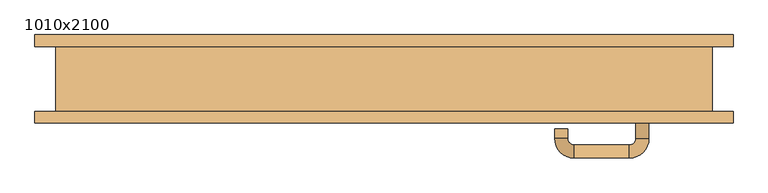
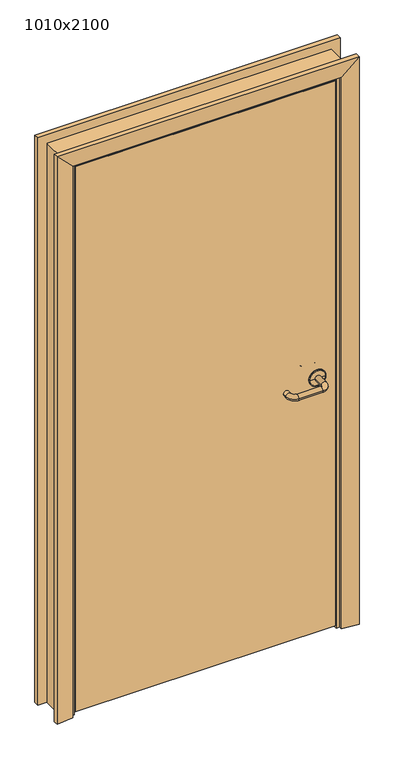
"""IFC4 building model written with IfcOpenShell, lengths in millimetres: door geometry, 1010x2100."""

from ifc_helpers import new_model, si_unit, point, frame, origin, place, context, project, spatial, polyline, circle_curve, ellipse_curve, trimmed, outline, extrude, faceted_brep, source, transform, mapped, element, save
from ifc_brep_helpers import plane_surface, cylinder_surface, revolved_surface, advanced_brep


def door_1010x2100_444881f4(model_context):
    return source(origin(), model_context, "Body", "SolidModel", [
        advanced_brep(
        [(407.5389275, -50.0, 965.0), (387.5389275, -50.0, 965.0), (407.5389275, -91.7730895, 965.0), (387.5389275, -91.7730895, 965.0), (377.5389275, -121.7730895, 965.0), (377.5389275, -101.7730895, 965.0), (292.5389265, -121.7730895, 965.0), (292.5389265, -101.7730895, 965.0), (262.5389265, -91.7730895, 965.0), (282.5389265, -91.7730895, 965.0), (262.5389265, -76.7730887, 965.0), (282.5389265, -76.7730887, 965.0)],
        [
            (0, 1, circle_curve(frame((397.5389275, -50.0, 965.0), z_axis=(0.0, 1.0, 0.0), x_axis=(-1.0, 0.0, 0.0)), 10.0)),
            (1, 0, circle_curve(frame((397.5389275, -50.0, 965.0), z_axis=(0.0, 1.0, 0.0), x_axis=(-1.0, 0.0, 0.0)), 10.0)),
            (0, 2),
            (2, 3, circle_curve(frame((397.5389275, -91.7730895, 965.0), z_axis=(0.0, 1.0, 0.0), x_axis=(-1.0, 0.0, 0.0)), 10.0)),
            (3, 1),
            (3, 2, circle_curve(frame((397.5389275, -91.7730895, 965.0), z_axis=(0.0, 1.0, 0.0), x_axis=(-1.0, 0.0, 0.0)), 10.0)),
            (4, 5, circle_curve(frame((377.5389275, -111.7730895, 965.0), z_axis=(1.0, 0.0, 0.0), x_axis=(0.0, 1.0, 0.0)), 10.0)),
            (5, 3, circle_curve(frame((377.5389275, -91.7730895, 965.0), z_axis=(0.0, 0.0, 1.0), x_axis=(1.0, 0.0, 0.0)), 10.0)),
            (2, 4, circle_curve(frame((377.5389275, -91.7730895, 965.0), z_axis=(0.0, 0.0, -1.0), x_axis=(1.0, 0.0, 0.0)), 30.0)),
            (5, 4, circle_curve(frame((377.5389275, -111.7730895, 965.0), z_axis=(1.0, 0.0, 0.0), x_axis=(0.0, 1.0, 0.0)), 10.0)),
            (4, 6),
            (6, 7, circle_curve(frame((292.5389265, -111.7730895, 965.0), z_axis=(1.0, 0.0, 0.0), x_axis=(0.0, 1.0, 0.0)), 10.0)),
            (7, 5),
            (7, 6, circle_curve(frame((292.5389265, -111.7730895, 965.0), z_axis=(1.0, 0.0, 0.0), x_axis=(0.0, 1.0, 0.0)), 10.0)),
            (8, 9, circle_curve(frame((272.5389265, -91.7730895, 965.0), z_axis=(0.0, -1.0, 0.0), x_axis=(1.0, 0.0, 0.0)), 10.0)),
            (9, 7, circle_curve(frame((292.5389265, -91.7730895, 965.0), z_axis=(0.0, 0.0, 1.0), x_axis=(0.0, -1.0, 0.0)), 10.0)),
            (6, 8, circle_curve(frame((292.5389265, -91.7730895, 965.0), z_axis=(0.0, 0.0, -1.0), x_axis=(0.0, -1.0, 0.0)), 30.0)),
            (9, 8, circle_curve(frame((272.5389265, -91.7730895, 965.0), z_axis=(0.0, -1.0, 0.0), x_axis=(1.0, 0.0, 0.0)), 10.0)),
            (10, 11, circle_curve(frame((272.5389265, -76.7730887, 965.0), z_axis=(0.0, 1.0, 0.0), x_axis=(1.0, 0.0, 0.0)), 10.0)),
            (11, 10, circle_curve(frame((272.5389265, -76.7730887, 965.0), z_axis=(0.0, 1.0, 0.0), x_axis=(1.0, 0.0, 0.0)), 10.0)),
            (8, 10),
            (11, 9),
        ],
        [
            plane_surface(frame((397.5389275, -50.0, 965.0), z_axis=(0.0, 1.0, 0.0), x_axis=(0.0, 0.0, 1.0))),
            cylinder_surface(frame((397.5389275, -50.0, 965.0), z_axis=(0.0, 1.0, 0.0), x_axis=(-1.0, 0.0, 0.0)), 10.0),
            revolved_surface(trimmed(ellipse_curve(frame((397.5389275, -91.7730895, 965.0), z_axis=(0.0, -1.0, 0.0), x_axis=(-1.0, 0.0, 0.0)), 10.0, 10.0), [point((387.5389275, -91.7730895, 965.0))], [point((407.5389275, -91.7730895, 965.0))], True, "CARTESIAN"), (377.5389275, -91.7730895, 965.0), (0.0, 0.0, 1.0)),
            revolved_surface(trimmed(ellipse_curve(frame((397.5389275, -91.7730895, 965.0), z_axis=(0.0, -1.0, 0.0), x_axis=(-1.0, 0.0, 0.0)), 10.0, 10.0), [point((407.5389275, -91.7730895, 965.0))], [point((387.5389275, -91.7730895, 965.0))], True, "CARTESIAN"), (377.5389275, -91.7730895, 965.0), (0.0, 0.0, 1.0)),
            cylinder_surface(frame((377.5389275, -111.7730895, 965.0), z_axis=(1.0, 0.0, 0.0), x_axis=(0.0, 1.0, 0.0)), 10.0),
            revolved_surface(trimmed(ellipse_curve(frame((292.5389265, -111.7730895, 965.0), z_axis=(-1.0, 0.0, 0.0), x_axis=(0.0, 1.0, 0.0)), 10.0, 10.0), [point((292.5389265, -101.7730895, 965.0))], [point((292.5389265, -121.7730895, 965.0))], True, "CARTESIAN"), (292.5389265, -91.7730895, 965.0), (0.0, 0.0, 1.0)),
            revolved_surface(trimmed(ellipse_curve(frame((292.5389265, -111.7730895, 965.0), z_axis=(-1.0, 0.0, 0.0), x_axis=(0.0, 1.0, 0.0)), 10.0, 10.0), [point((292.5389265, -121.7730895, 965.0))], [point((292.5389265, -101.7730895, 965.0))], True, "CARTESIAN"), (292.5389265, -91.7730895, 965.0), (0.0, 0.0, 1.0)),
            plane_surface(frame((272.5389265, -76.7730887, 965.0), z_axis=(0.0, 1.0, 0.0), x_axis=(0.0, 0.0, 1.0))),
            cylinder_surface(frame((272.5389265, -91.7730895, 965.0), z_axis=(0.0, -1.0, 0.0), x_axis=(1.0, 0.0, 0.0)), 10.0),
        ],
        [
            (0, [[1, 2]]),
            (1, [[3, 4, 5, -1]]),
            (1, [[-5, 6, -3, -2]]),
            (2, [[7, 8, -4, 9]]),
            (3, [[10, -9, -6, -8]]),
            (4, [[11, 12, 13, -7]]),
            (4, [[-13, 14, -11, -10]]),
            (5, [[15, 16, -12, 17]]),
            (6, [[18, -17, -14, -16]]),
            (7, [[19, 20]]),
            (8, [[21, -20, 22, -15]]),
            (8, [[-22, -19, -21, -18]]),
        ],
    ),
        advanced_brep(
        [(397.5389275, -50.0, 965.0), (427.5389268, -50.0, 965.0), (367.5389281, -50.0, 965.0), (427.5389268, -50.819943, 965.0), (367.5389281, -50.819943, 965.0), (424.5857807, -53.7730891, 965.0), (397.5389275, -53.7730891, 965.0), (370.4920742, -53.7730891, 965.0)],
        [
            (0, 1),
            (1, 2, circle_curve(frame((397.5389275, -50.0, 965.0), z_axis=(0.0, 1.0, 0.0), x_axis=(-1.0, 0.0, 0.0)), 29.9999993)),
            (2, 0),
            (2, 1, circle_curve(frame((397.5389275, -50.0, 965.0), z_axis=(0.0, 1.0, 0.0), x_axis=(-1.0, 0.0, 0.0)), 29.9999993)),
            (1, 3),
            (3, 4, circle_curve(frame((397.5389275, -50.819943, 965.0), z_axis=(0.0, 1.0, 0.0), x_axis=(-1.0, 0.0, 0.0)), 29.9999993)),
            (4, 2),
            (4, 3, circle_curve(frame((397.5389275, -50.819943, 965.0), z_axis=(0.0, 1.0, 0.0), x_axis=(-1.0, 0.0, 0.0)), 29.9999993)),
            (5, 6),
            (6, 7),
            (7, 5, circle_curve(frame((397.5389275, -53.7730891, 965.0), z_axis=(0.0, -1.0, 0.0), x_axis=(-1.0, 0.0, 0.0)), 27.0468532)),
            (5, 7, circle_curve(frame((397.5389275, -53.7730891, 965.0), z_axis=(0.0, -1.0, 0.0), x_axis=(-1.0, 0.0, 0.0)), 27.0468532)),
            (3, 5, circle_curve(frame((424.5857807, -50.819943, 965.0), z_axis=(0.0, 0.0, -1.0), x_axis=(-1.0, 0.0, 0.0)), 2.9531461)),
            (7, 4, circle_curve(frame((370.4920742, -50.819943, 965.0), z_axis=(0.0, 0.0, -1.0), x_axis=(1.0, 0.0, 0.0)), 2.9531461)),
        ],
        [
            plane_surface(frame((397.5389275, -50.0, 965.0), z_axis=(0.0, 1.0, 0.0), x_axis=(-1.0, 0.0, 0.0))),
            cylinder_surface(frame((397.5389275, -50.0, 965.0), z_axis=(0.0, 1.0, 0.0), x_axis=(-1.0, 0.0, 0.0)), 29.9999993),
            plane_surface(frame((397.5389275, -53.7730891, 965.0), z_axis=(0.0, -1.0, 0.0), x_axis=(-1.0, 0.0, 0.0))),
            revolved_surface(trimmed(ellipse_curve(frame((370.4920742, -50.819943, 965.0), z_axis=(0.0, 0.0, -1.0), x_axis=(1.0, 0.0, 0.0)), 2.9531461, 2.9531461), [point((370.4920742, -53.7730891, 965.0))], [point((367.5389281, -50.819943, 965.0))], True, "CARTESIAN"), (397.5389275, -50.0, 965.0), (0.0, 1.0, 0.0)),
        ],
        [
            (0, [[1, 2, 3]]),
            (0, [[-3, 4, -1]]),
            (1, [[5, 6, 7, -2]]),
            (1, [[-7, 8, -5, -4]]),
            (2, [[9, 10, 11]]),
            (2, [[-10, -9, 12]]),
            (3, [[13, -11, 14, -6]]),
            (3, [[-14, -12, -13, -8]]),
        ],
    ),
        advanced_brep(
        [(407.5389275, -10.0, 965.0), (387.5389275, -10.0, 965.0), (387.5389275, 31.7730894, 965.0), (407.5389275, 31.7730894, 965.0), (377.5389275, 41.7730894, 965.0), (377.5389275, 61.7730894, 965.0), (292.5389265, 41.7730894, 965.0), (292.5389265, 61.7730894, 965.0), (282.5389265, 31.7730894, 965.0), (262.5389265, 31.7730894, 965.0), (262.5389265, 16.7730887, 965.0), (282.5389265, 16.7730887, 965.0)],
        [
            (0, 1, circle_curve(frame((397.5389275, -10.0, 965.0), z_axis=(0.0, -1.0, 0.0), x_axis=(-1.0, 0.0, 0.0)), 10.0)),
            (1, 0, circle_curve(frame((397.5389275, -10.0, 965.0), z_axis=(0.0, -1.0, 0.0), x_axis=(-1.0, 0.0, 0.0)), 10.0)),
            (1, 2),
            (2, 3, circle_curve(frame((397.5389275, 31.7730894, 965.0), z_axis=(0.0, -1.0, 0.0), x_axis=(-1.0, 0.0, 0.0)), 10.0)),
            (3, 0),
            (3, 2, circle_curve(frame((397.5389275, 31.7730894, 965.0), z_axis=(0.0, -1.0, 0.0), x_axis=(-1.0, 0.0, 0.0)), 10.0)),
            (4, 5, circle_curve(frame((377.5389275, 51.7730894, 965.0), z_axis=(1.0, 0.0, 0.0), x_axis=(0.0, -1.0, 0.0)), 10.0)),
            (5, 3, circle_curve(frame((377.5389275, 31.7730894, 965.0), z_axis=(0.0, 0.0, -1.0), x_axis=(1.0, 0.0, 0.0)), 30.0)),
            (2, 4, circle_curve(frame((377.5389275, 31.7730894, 965.0), z_axis=(0.0, 0.0, 1.0), x_axis=(1.0, 0.0, 0.0)), 10.0)),
            (5, 4, circle_curve(frame((377.5389275, 51.7730894, 965.0), z_axis=(1.0, 0.0, 0.0), x_axis=(0.0, -1.0, 0.0)), 10.0)),
            (4, 6),
            (6, 7, circle_curve(frame((292.5389265, 51.7730894, 965.0), z_axis=(1.0, 0.0, 0.0), x_axis=(0.0, -1.0, 0.0)), 10.0)),
            (7, 5),
            (7, 6, circle_curve(frame((292.5389265, 51.7730894, 965.0), z_axis=(1.0, 0.0, 0.0), x_axis=(0.0, -1.0, 0.0)), 10.0)),
            (8, 9, circle_curve(frame((272.5389265, 31.7730894, 965.0), z_axis=(0.0, 1.0, 0.0), x_axis=(1.0, 0.0, 0.0)), 10.0)),
            (9, 7, circle_curve(frame((292.5389265, 31.7730894, 965.0), z_axis=(0.0, 0.0, -1.0), x_axis=(0.0, 1.0, 0.0)), 30.0)),
            (6, 8, circle_curve(frame((292.5389265, 31.7730894, 965.0), z_axis=(0.0, 0.0, 1.0), x_axis=(0.0, 1.0, 0.0)), 10.0)),
            (9, 8, circle_curve(frame((272.5389265, 31.7730894, 965.0), z_axis=(0.0, 1.0, 0.0), x_axis=(1.0, 0.0, 0.0)), 10.0)),
            (10, 11, circle_curve(frame((272.5389265, 16.7730887, 965.0), z_axis=(0.0, -1.0, 0.0), x_axis=(1.0, 0.0, 0.0)), 10.0)),
            (11, 10, circle_curve(frame((272.5389265, 16.7730887, 965.0), z_axis=(0.0, -1.0, 0.0), x_axis=(1.0, 0.0, 0.0)), 10.0)),
            (8, 11),
            (10, 9),
        ],
        [
            plane_surface(frame((397.5389275, -10.0, 965.0), z_axis=(0.0, -1.0, 0.0), x_axis=(0.0, 0.0, 1.0))),
            cylinder_surface(frame((397.5389275, -10.0, 965.0), z_axis=(0.0, -1.0, 0.0), x_axis=(-1.0, 0.0, 0.0)), 10.0),
            revolved_surface(trimmed(ellipse_curve(frame((397.5389275, 31.7730894, 965.0), z_axis=(0.0, 1.0, 0.0), x_axis=(-1.0, 0.0, 0.0)), 10.0, 10.0), [point((407.5389275, 31.7730894, 965.0))], [point((387.5389275, 31.7730894, 965.0))], True, "CARTESIAN"), (377.5389275, 31.7730894, 965.0), (0.0, 0.0, -1.0)),
            revolved_surface(trimmed(ellipse_curve(frame((397.5389275, 31.7730894, 965.0), z_axis=(0.0, 1.0, 0.0), x_axis=(-1.0, 0.0, 0.0)), 10.0, 10.0), [point((387.5389275, 31.7730894, 965.0))], [point((407.5389275, 31.7730894, 965.0))], True, "CARTESIAN"), (377.5389275, 31.7730894, 965.0), (0.0, 0.0, -1.0)),
            cylinder_surface(frame((377.5389275, 51.7730894, 965.0), z_axis=(1.0, 0.0, 0.0), x_axis=(0.0, -1.0, 0.0)), 10.0),
            revolved_surface(trimmed(ellipse_curve(frame((292.5389265, 51.7730894, 965.0), z_axis=(-1.0, 0.0, 0.0), x_axis=(0.0, -1.0, 0.0)), 10.0, 10.0), [point((292.5389265, 61.7730894, 965.0))], [point((292.5389265, 41.7730894, 965.0))], True, "CARTESIAN"), (292.5389265, 31.7730894, 965.0), (0.0, 0.0, -1.0)),
            revolved_surface(trimmed(ellipse_curve(frame((292.5389265, 51.7730894, 965.0), z_axis=(-1.0, 0.0, 0.0), x_axis=(0.0, -1.0, 0.0)), 10.0, 10.0), [point((292.5389265, 41.7730894, 965.0))], [point((292.5389265, 61.7730894, 965.0))], True, "CARTESIAN"), (292.5389265, 31.7730894, 965.0), (0.0, 0.0, -1.0)),
            plane_surface(frame((272.5389265, 16.7730887, 965.0), z_axis=(0.0, -1.0, 0.0), x_axis=(0.0, 0.0, 1.0))),
            cylinder_surface(frame((272.5389265, 31.7730894, 965.0), z_axis=(0.0, 1.0, 0.0), x_axis=(1.0, 0.0, 0.0)), 10.0),
        ],
        [
            (0, [[1, 2]]),
            (1, [[3, 4, 5, -2]]),
            (1, [[-5, 6, -3, -1]]),
            (2, [[7, 8, -4, 9]]),
            (3, [[10, -9, -6, -8]]),
            (4, [[11, 12, 13, -7]]),
            (4, [[-13, 14, -11, -10]]),
            (5, [[15, 16, -12, 17]]),
            (6, [[18, -17, -14, -16]]),
            (7, [[19, 20]]),
            (8, [[21, -19, 22, -15]]),
            (8, [[-22, -20, -21, -18]]),
        ],
    ),
        advanced_brep(
        [(427.5389268, -10.0, 965.0), (397.5389275, -10.0, 965.0), (367.5389281, -10.0, 965.0), (427.5389268, -9.180057, 965.0), (367.5389281, -9.180057, 965.0), (397.5389275, -6.2269109, 965.0), (424.5857807, -6.2269109, 965.0), (370.4920742, -6.2269109, 965.0)],
        [
            (0, 1),
            (1, 2),
            (2, 0, circle_curve(frame((397.5389275, -10.0, 965.0), z_axis=(0.0, -1.0, 0.0), x_axis=(-1.0, 0.0, 0.0)), 29.9999993)),
            (0, 2, circle_curve(frame((397.5389275, -10.0, 965.0), z_axis=(0.0, -1.0, 0.0), x_axis=(-1.0, 0.0, 0.0)), 29.9999993)),
            (3, 0),
            (2, 4),
            (4, 3, circle_curve(frame((397.5389275, -9.180057, 965.0), z_axis=(0.0, -1.0, 0.0), x_axis=(-1.0, 0.0, 0.0)), 29.9999993)),
            (3, 4, circle_curve(frame((397.5389275, -9.180057, 965.0), z_axis=(0.0, -1.0, 0.0), x_axis=(-1.0, 0.0, 0.0)), 29.9999993)),
            (5, 6),
            (6, 7, circle_curve(frame((397.5389275, -6.2269109, 965.0), z_axis=(0.0, 1.0, 0.0), x_axis=(-1.0, 0.0, 0.0)), 27.0468532)),
            (7, 5),
            (7, 6, circle_curve(frame((397.5389275, -6.2269109, 965.0), z_axis=(0.0, 1.0, 0.0), x_axis=(-1.0, 0.0, 0.0)), 27.0468532)),
            (6, 3, circle_curve(frame((424.5857807, -9.180057, 965.0), z_axis=(0.0, 0.0, -1.0), x_axis=(-1.0, 0.0, 0.0)), 2.9531461)),
            (4, 7, circle_curve(frame((370.4920742, -9.180057, 965.0), z_axis=(0.0, 0.0, -1.0), x_axis=(1.0, 0.0, 0.0)), 2.9531461)),
        ],
        [
            plane_surface(frame((397.5389275, -10.0, 965.0), z_axis=(0.0, -1.0, 0.0), x_axis=(-1.0, 0.0, 0.0))),
            cylinder_surface(frame((397.5389275, -10.0, 965.0), z_axis=(0.0, 1.0, 0.0), x_axis=(-1.0, 0.0, 0.0)), 29.9999993),
            plane_surface(frame((397.5389275, -6.2269109, 965.0), z_axis=(0.0, 1.0, 0.0), x_axis=(-1.0, 0.0, 0.0))),
            revolved_surface(trimmed(ellipse_curve(frame((370.4920742, -9.180057, 965.0), z_axis=(0.0, 0.0, -1.0), x_axis=(1.0, 0.0, 0.0)), 2.9531461, 2.9531461), [point((367.5389281, -9.180057, 965.0))], [point((370.4920742, -6.2269109, 965.0))], True, "CARTESIAN"), (397.5389275, -10.0, 965.0), (0.0, 1.0, 0.0)),
        ],
        [
            (0, [[1, 2, 3]]),
            (0, [[-2, -1, 4]]),
            (1, [[5, -3, 6, 7]]),
            (1, [[-6, -4, -5, 8]]),
            (2, [[9, 10, 11]]),
            (2, [[-11, 12, -9]]),
            (3, [[13, -7, 14, -10]]),
            (3, [[-14, -8, -13, -12]]),
        ],
    ),
        extrude(outline(polyline([(462.5389275, -50.0), (-462.538929, -50.0), (-462.538929, -10.0), (462.5389275, -10.0), (462.5389275, -50.0)])), frame((0.0, 0.0, 10.0), z_axis=(0.0, 0.0, 1.0), x_axis=(1.0, 0.0, 0.0)), (0.0, 0.0, 1.0), 2047.0),
        advanced_brep(
        [(505.0, 50.0, 0.0), (505.0, -50.0, 0.0), (465.0389382, -50.0, 0.0), (465.0389382, -7.9643213, 0.0), (452.938932, -7.9643213, 0.0), (452.938932, 29.9348682, 0.0), (459.0397424, 36.0356785, 0.0), (465.0389382, 36.0356785, 0.0), (465.0389382, 50.0, 0.0), (465.0389382, 50.0, 2060.0389382), (-465.0389382, 50.0, 2060.0389382), (-465.0389382, 50.0, 0.0), (-505.0, 50.0, 0.0), (-505.0, 50.0, 2100.0), (505.0, 50.0, 2100.0), (465.0389382, 36.0356785, 2060.0389382), (459.0397424, 36.0356785, 2054.0397424), (-459.0397424, 36.0356785, 2054.0397424), (-459.0397424, 36.0356785, 0.0), (-465.0389382, 36.0356785, 0.0), (-465.0389382, 36.0356785, 2060.0389382), (452.938932, 29.9348682, 2047.938932), (452.938932, -7.9643213, 2047.938932), (465.0389382, -7.9643213, 2060.0389382), (-465.0389382, -7.9643213, 2060.0389382), (-465.0389382, -7.9643213, 0.0), (-452.938932, -7.9643213, 0.0), (-452.938932, -7.9643213, 2047.938932), (465.0389382, -50.0, 2060.0389382), (505.0, -50.0, 2100.0), (-452.938932, 29.9348682, 2047.938932), (-465.0389382, -50.0, 2060.0389382), (-505.0, -50.0, 2100.0), (-452.938932, 29.9348682, 0.0), (-465.0389382, -50.0, 0.0), (-505.0, -50.0, 0.0)],
        [
            (0, 1),
            (1, 2),
            (2, 3),
            (3, 4),
            (4, 5),
            (5, 6, circle_curve(frame((459.0397424, 29.9348682, 0.0), z_axis=(0.0, 0.0, -1.0), x_axis=(-1.0, 0.0, 0.0)), 6.1008103)),
            (6, 7),
            (7, 8),
            (8, 0),
            (8, 9),
            (9, 10),
            (10, 11),
            (11, 12),
            (12, 13),
            (13, 14),
            (14, 0),
            (7, 15),
            (15, 9),
            (6, 16),
            (16, 17),
            (17, 18),
            (18, 19),
            (19, 20),
            (20, 15),
            (5, 21),
            (21, 16, ellipse_curve(frame((459.0397424, 29.9348682, 2054.0397424), z_axis=(0.7071067811865475, 0.0, -0.7071067811865475), x_axis=(-0.7071067811865474, 0.0, -0.7071067811865476)), 8.6278487, 6.1008103)),
            (4, 22),
            (22, 21),
            (3, 23),
            (23, 24),
            (24, 25),
            (25, 26),
            (26, 27),
            (27, 22),
            (2, 28),
            (28, 23),
            (14, 29),
            (29, 1),
            (20, 10),
            (21, 30),
            (30, 17, ellipse_curve(frame((-459.0397424, 29.9348682, 2054.0397424), z_axis=(0.7071067811865475, 0.0, 0.7071067811865475), x_axis=(0.7071067811865476, 0.0, -0.7071067811865474)), 8.6278487, 6.1008103)),
            (27, 30),
            (28, 31),
            (31, 24),
            (13, 32),
            (32, 29),
            (11, 19),
            (18, 33, circle_curve(frame((-459.0397424, 29.9348682, 0.0), z_axis=(0.0, 0.0, -1.0), x_axis=(1.0, 0.0, 0.0)), 6.1008103)),
            (33, 26),
            (25, 34),
            (34, 35),
            (35, 12),
            (30, 33),
            (31, 34),
            (35, 32),
        ],
        [
            plane_surface(frame((505.0, -50.0, 0.0), z_axis=(0.0, 0.0, -1.0), x_axis=(0.0, 1.0, 0.0))),
            plane_surface(frame((505.0, 50.0, 0.0), z_axis=(0.0, 1.0, 0.0), x_axis=(0.0, 0.0, 1.0))),
            plane_surface(frame((465.0389382, 50.0, 0.0), z_axis=(-1.0, 0.0, 0.0), x_axis=(0.0, 0.0, 1.0))),
            plane_surface(frame((465.0389382, 36.0356785, 0.0), z_axis=(0.0, 1.0, 0.0), x_axis=(0.0, 0.0, 1.0))),
            cylinder_surface(frame((459.0397424, 29.9348682, 0.0), z_axis=(0.0, 0.0, -1.0), x_axis=(-1.0, 0.0, 0.0)), 6.1008103),
            plane_surface(frame((452.938932, 29.9348682, 0.0), z_axis=(-1.0, 0.0, 0.0), x_axis=(0.0, 0.0, 1.0))),
            plane_surface(frame((452.938932, -7.9643213, 0.0), z_axis=(0.0, -1.0, 0.0), x_axis=(0.0, 0.0, 1.0))),
            plane_surface(frame((465.0389382, -7.9643213, 0.0), z_axis=(-1.0, 0.0, 0.0), x_axis=(0.0, 0.0, 1.0))),
            plane_surface(frame((505.0, -50.0, 0.0), z_axis=(1.0, 0.0, 0.0), x_axis=(0.0, 0.0, 1.0))),
            plane_surface(frame((465.0389382, 50.0, 2060.0389382), z_axis=(0.0, 0.0, -1.0), x_axis=(-1.0, 0.0, 0.0))),
            cylinder_surface(frame((505.0, 29.9348682, 2054.0397424), z_axis=(1.0, 0.0, 0.0), x_axis=(0.0, 0.0, -1.0)), 6.1008103),
            plane_surface(frame((452.938932, 29.9348682, 2047.938932), z_axis=(0.0, 0.0, -1.0), x_axis=(-1.0, 0.0, 0.0))),
            plane_surface(frame((465.0389382, -7.9643213, 2060.0389382), z_axis=(0.0, 0.0, -1.0), x_axis=(-1.0, 0.0, 0.0))),
            plane_surface(frame((505.0, -50.0, 2100.0), z_axis=(0.0, 0.0, 1.0), x_axis=(-1.0, 0.0, 0.0))),
            plane_surface(frame((-505.0, -50.0, 0.0), z_axis=(0.0, 0.0, -1.0), x_axis=(0.0, 1.0, 0.0))),
            plane_surface(frame((-465.0389382, 50.0, 2060.0389382), z_axis=(1.0, 0.0, 0.0), x_axis=(0.0, 0.0, -1.0))),
            cylinder_surface(frame((-459.0397424, 29.9348682, 2100.0), z_axis=(0.0, 0.0, 1.0), x_axis=(1.0, 0.0, 0.0)), 6.1008103),
            plane_surface(frame((-452.938932, 29.9348682, 2047.938932), z_axis=(1.0, 0.0, 0.0), x_axis=(0.0, 0.0, -1.0))),
            plane_surface(frame((-465.0389382, -7.9643213, 2060.0389382), z_axis=(1.0, 0.0, 0.0), x_axis=(0.0, 0.0, -1.0))),
            plane_surface(frame((-505.0, -50.0, 2100.0), z_axis=(-1.0, 0.0, 0.0), x_axis=(0.0, 0.0, -1.0))),
            plane_surface(frame((465.0389382, -50.0, 0.0), z_axis=(0.0, -1.0, 0.0), x_axis=(0.0, 0.0, 1.0))),
        ],
        [
            (0, [[1, 2, 3, 4, 5, 6, 7, 8, 9]]),
            (1, [[10, 11, 12, 13, 14, 15, 16, -9]]),
            (2, [[17, 18, -10, -8]]),
            (3, [[19, 20, 21, 22, 23, 24, -17, -7]]),
            (4, [[25, 26, -19, -6]]),
            (5, [[27, 28, -25, -5]]),
            (6, [[29, 30, 31, 32, 33, 34, -27, -4]]),
            (7, [[35, 36, -29, -3]]),
            (8, [[-16, 37, 38, -1]]),
            (9, [[-24, 39, -11, -18]]),
            (10, [[40, 41, -20, -26]]),
            (11, [[-34, 42, -40, -28]]),
            (12, [[43, 44, -30, -36]]),
            (13, [[-15, 45, 46, -37]]),
            (14, [[-13, 47, -22, 48, 49, -32, 50, 51, 52]]),
            (15, [[-23, -47, -12, -39]]),
            (16, [[53, -48, -21, -41]]),
            (17, [[-33, -49, -53, -42]]),
            (18, [[54, -50, -31, -44]]),
            (19, [[-14, -52, 55, -45]]),
            (20, [[-38, -46, -55, -51, -54, -43, -35, -2]]),
        ],
    ),
        faceted_brep([(-537.0361788, 67.9999998, 0.0), (-477.0362074, 61.9999981, 0.0), (-477.0362074, 50.0, 0.0), (-537.0361788, 50.0, 0.0), (-537.0361788, 67.9999998, 2131.499963), (-477.0362074, 61.9999981, 2071.4999916), (-477.0362074, 50.0, 2071.4999916), (477.0362074, 50.0, 2071.4999916), (477.0362074, 50.0, 0.0), (537.0361788, 50.0, 0.0), (537.0361788, 50.0, 2131.499963), (-537.0361788, 50.0, 2131.499963), (537.0361788, 67.9999998, 2131.499963), (477.0362074, 61.9999981, 2071.4999916), (537.0361788, 67.9999998, 0.0), (477.0362074, 61.9999981, 0.0)], [[[0, 1, 2, 3]], [[0, 4, 5, 1]], [[1, 5, 6, 2]], [[2, 6, 7, 8, 9, 10, 11, 3]], [[3, 11, 4, 0]], [[4, 12, 13, 5]], [[5, 13, 7, 6]], [[11, 10, 12, 4]], [[14, 9, 8, 15]], [[12, 14, 15, 13]], [[13, 15, 8, 7]], [[10, 9, 14, 12]]]),
        faceted_brep([(-537.0361788, -67.9999998, 0.0), (-537.0361788, -50.0, 0.0), (-477.0362074, -50.0, 0.0), (-477.0362074, -61.9999981, 0.0), (-477.0362074, -61.9999981, 2071.4999916), (-537.0361788, -67.9999998, 2131.499963), (-537.0361788, -50.0, 2131.499963), (537.0361788, -50.0, 2131.499963), (537.0361788, -50.0, 0.0), (477.0362074, -50.0, 0.0), (477.0362074, -50.0, 2071.4999916), (-477.0362074, -50.0, 2071.4999916), (477.0362074, -61.9999981, 2071.4999916), (537.0361788, -67.9999998, 2131.499963), (537.0361788, -67.9999998, 0.0), (477.0362074, -61.9999981, 0.0)], [[[0, 1, 2, 3]], [[3, 4, 5, 0]], [[1, 6, 7, 8, 9, 10, 11, 2]], [[0, 5, 6, 1]], [[4, 12, 13, 5]], [[5, 13, 7, 6]], [[14, 15, 9, 8]], [[12, 15, 14, 13]], [[13, 14, 8, 7]], [[2, 11, 4, 3]], [[11, 10, 12, 4]], [[10, 9, 15, 12]]]),
    ])


if __name__ == "__main__":
    model = new_model("IFC4")
    model_context = context("Model", 3, world=origin())
    ifc_project = project(units=[si_unit("LENGTHUNIT", "METRE", prefix="MILLI")], contexts=[model_context])
    site = spatial("IfcSite", under=ifc_project)
    building = spatial("IfcBuilding", under=site)
    placement = place(None, origin())
    door_1010x2100_shape = door_1010x2100_444881f4(model_context)
    element("IfcDoor", 1, ObjectType="1010x2100", at=placement, inside=building, context=model_context, shape_type="MappedRepresentation", body=[
        mapped(door_1010x2100_shape, transform((0.0, 0.0, 0.0), x_axis=(1.0, 0.0, 0.0), y_axis=(0.0, 1.0, 0.0), z_axis=(0.0, 0.0, 1.0))),
    ])
    save(model, "model.ifc")
